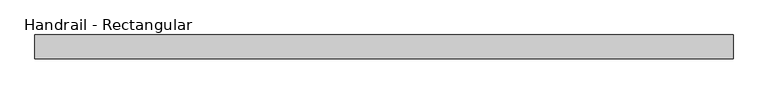
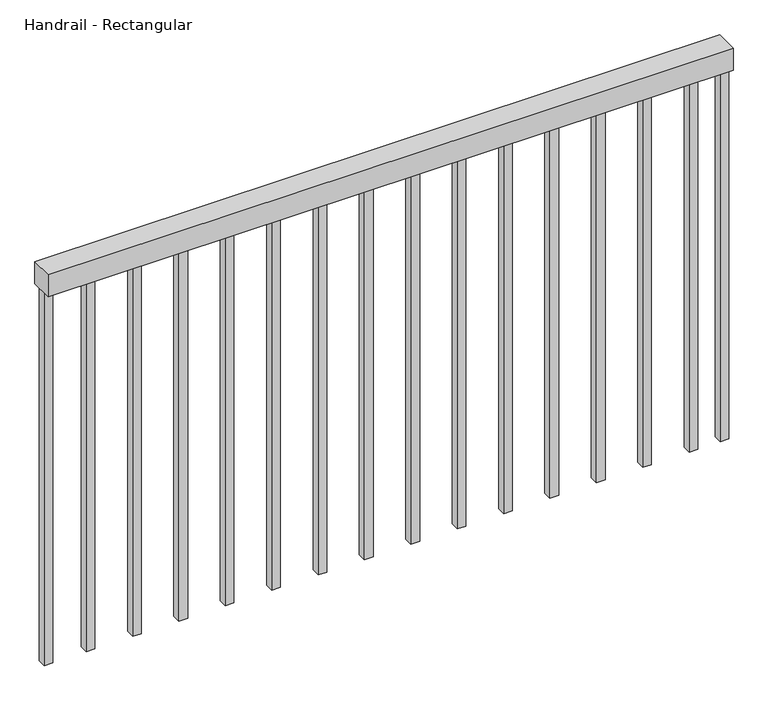
"""IFC4 building model written with IfcOpenShell, lengths in millimetres: railing geometry, Handrail - Rectangular."""

from ifc_helpers import new_model, si_unit, frame, origin, place, context, project, spatial, polyline, outline, extrude, source, transform, mapped, element, save


def handrail_rectangular_db3dbaa7(model_context):
    return source(origin(), model_context, "Body", "SweptSolid", [
        extrude(outline(polyline([(66249.123353, 4755.857897), (66249.123353, 4806.657897), (67749.123353, 4806.657897), (67749.123353, 4755.857897), (66249.123353, 4755.857897)])), frame((0.0, 0.0, 3903.6), z_axis=(0.0, 0.0, 1.0), x_axis=(1.0, 0.0, 0.0)), (0.0, 0.0, 1.0), 50.8),
        extrude(outline(polyline([(67661.998353, 4771.732897), (67661.998353, 4790.782897), (67681.048353, 4790.782897), (67681.048353, 4771.732897), (67661.998353, 4771.732897)])), frame((0.0, 0.0, 3040.0), z_axis=(0.0, 0.0, 1.0), x_axis=(1.0, 0.0, 0.0)), (0.0, 0.0, 1.0), 863.6),
        extrude(outline(polyline([(67560.398353, 4771.732897), (67560.398353, 4790.782897), (67579.448353, 4790.782897), (67579.448353, 4771.732897), (67560.398353, 4771.732897)])), frame((0.0, 0.0, 3040.0), z_axis=(0.0, 0.0, 1.0), x_axis=(1.0, 0.0, 0.0)), (0.0, 0.0, 1.0), 863.6),
        extrude(outline(polyline([(67458.798353, 4771.732897), (67458.798353, 4790.782897), (67477.848353, 4790.782897), (67477.848353, 4771.732897), (67458.798353, 4771.732897)])), frame((0.0, 0.0, 3040.0), z_axis=(0.0, 0.0, 1.0), x_axis=(1.0, 0.0, 0.0)), (0.0, 0.0, 1.0), 863.6),
        extrude(outline(polyline([(67357.198353, 4771.732897), (67357.198353, 4790.782897), (67376.248353, 4790.782897), (67376.248353, 4771.732897), (67357.198353, 4771.732897)])), frame((0.0, 0.0, 3040.0), z_axis=(0.0, 0.0, 1.0), x_axis=(1.0, 0.0, 0.0)), (0.0, 0.0, 1.0), 863.6),
        extrude(outline(polyline([(67255.598353, 4771.732897), (67255.598353, 4790.782897), (67274.648353, 4790.782897), (67274.648353, 4771.732897), (67255.598353, 4771.732897)])), frame((0.0, 0.0, 3040.0), z_axis=(0.0, 0.0, 1.0), x_axis=(1.0, 0.0, 0.0)), (0.0, 0.0, 1.0), 863.6),
        extrude(outline(polyline([(67153.998353, 4771.732897), (67153.998353, 4790.782897), (67173.048353, 4790.782897), (67173.048353, 4771.732897), (67153.998353, 4771.732897)])), frame((0.0, 0.0, 3040.0), z_axis=(0.0, 0.0, 1.0), x_axis=(1.0, 0.0, 0.0)), (0.0, 0.0, 1.0), 863.6),
        extrude(outline(polyline([(67052.398353, 4771.732897), (67052.398353, 4790.782897), (67071.448353, 4790.782897), (67071.448353, 4771.732897), (67052.398353, 4771.732897)])), frame((0.0, 0.0, 3040.0), z_axis=(0.0, 0.0, 1.0), x_axis=(1.0, 0.0, 0.0)), (0.0, 0.0, 1.0), 863.6),
        extrude(outline(polyline([(66950.798353, 4771.732897), (66950.798353, 4790.782897), (66969.848353, 4790.782897), (66969.848353, 4771.732897), (66950.798353, 4771.732897)])), frame((0.0, 0.0, 3040.0), z_axis=(0.0, 0.0, 1.0), x_axis=(1.0, 0.0, 0.0)), (0.0, 0.0, 1.0), 863.6),
        extrude(outline(polyline([(66849.198353, 4771.732897), (66849.198353, 4790.782897), (66868.248353, 4790.782897), (66868.248353, 4771.732897), (66849.198353, 4771.732897)])), frame((0.0, 0.0, 3040.0), z_axis=(0.0, 0.0, 1.0), x_axis=(1.0, 0.0, 0.0)), (0.0, 0.0, 1.0), 863.6),
        extrude(outline(polyline([(66747.598353, 4771.732897), (66747.598353, 4790.782897), (66766.648353, 4790.782897), (66766.648353, 4771.732897), (66747.598353, 4771.732897)])), frame((0.0, 0.0, 3040.0), z_axis=(0.0, 0.0, 1.0), x_axis=(1.0, 0.0, 0.0)), (0.0, 0.0, 1.0), 863.6),
        extrude(outline(polyline([(66645.998353, 4771.732897), (66645.998353, 4790.782897), (66665.048353, 4790.782897), (66665.048353, 4771.732897), (66645.998353, 4771.732897)])), frame((0.0, 0.0, 3040.0), z_axis=(0.0, 0.0, 1.0), x_axis=(1.0, 0.0, 0.0)), (0.0, 0.0, 1.0), 863.6),
        extrude(outline(polyline([(66544.398353, 4771.732897), (66544.398353, 4790.782897), (66563.448353, 4790.782897), (66563.448353, 4771.732897), (66544.398353, 4771.732897)])), frame((0.0, 0.0, 3040.0), z_axis=(0.0, 0.0, 1.0), x_axis=(1.0, 0.0, 0.0)), (0.0, 0.0, 1.0), 863.6),
        extrude(outline(polyline([(66442.798353, 4771.732897), (66442.798353, 4790.782897), (66461.848353, 4790.782897), (66461.848353, 4771.732897), (66442.798353, 4771.732897)])), frame((0.0, 0.0, 3040.0), z_axis=(0.0, 0.0, 1.0), x_axis=(1.0, 0.0, 0.0)), (0.0, 0.0, 1.0), 863.6),
        extrude(outline(polyline([(66341.198353, 4771.732897), (66341.198353, 4790.782897), (66360.248353, 4790.782897), (66360.248353, 4771.732897), (66341.198353, 4771.732897)])), frame((0.0, 0.0, 3040.0), z_axis=(0.0, 0.0, 1.0), x_axis=(1.0, 0.0, 0.0)), (0.0, 0.0, 1.0), 863.6),
        extrude(outline(polyline([(67730.073353, 4771.732897), (67730.073353, 4790.782897), (67749.123353, 4790.782897), (67749.123353, 4771.732897), (67730.073353, 4771.732897)])), frame((0.0, 0.0, 3040.0), z_axis=(0.0, 0.0, 1.0), x_axis=(1.0, 0.0, 0.0)), (0.0, 0.0, 1.0), 863.6),
        extrude(outline(polyline([(66249.123353, 4771.732897), (66249.123353, 4790.782897), (66268.173353, 4790.782897), (66268.173353, 4771.732897), (66249.123353, 4771.732897)])), frame((0.0, 0.0, 3040.0), z_axis=(0.0, 0.0, 1.0), x_axis=(1.0, 0.0, 0.0)), (0.0, 0.0, 1.0), 863.6),
    ])


if __name__ == "__main__":
    model = new_model("IFC4")
    model_context = context("Model", 3, world=origin())
    ifc_project = project(units=[si_unit("LENGTHUNIT", "METRE", prefix="MILLI")], contexts=[model_context])
    site = spatial("IfcSite", under=ifc_project)
    building = spatial("IfcBuilding", under=site)
    placement = place(None, origin())
    handrail_rectangular_shape = handrail_rectangular_db3dbaa7(model_context)
    element("IfcRailing", 1, ObjectType="Handrail - Rectangular", at=placement, inside=building, context=model_context, shape_type="MappedRepresentation", body=[
        mapped(handrail_rectangular_shape, transform((0.0, 0.0, 0.0), x_axis=(1.0, 0.0, 0.0), y_axis=(0.0, 1.0, 0.0), z_axis=(0.0, 0.0, 1.0))),
    ])
    save(model, "model.ifc")
